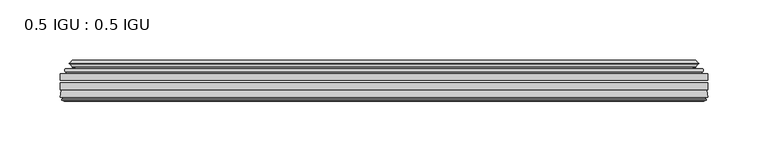
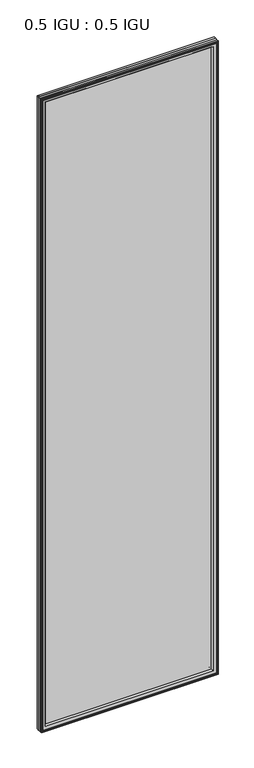
"""IFC4 building model written with IfcOpenShell, lengths in millimetres: plate geometry, 0.5 IGU : 0.5 IGU."""

from ifc_helpers import new_model, si_unit, frame, origin, place, context, project, spatial, polyline, ellipse_curve, outline, extrude, source, transform, mapped, element, save
from ifc_brep_helpers import plane_surface, cylinder_surface, revolved_surface, advanced_brep


def plate_0_5_igu_0_5_igu_a1c7e03c(model_context):
    return source(origin(), model_context, "Body", "SolidModel", [
        extrude(outline(polyline([(268.301675, -55.82285), (268.301675, -61.48705), (-268.2875, -61.48705), (-268.2875, -55.82285), (268.301675, -55.82285)])), frame((0.0, 0.0, -14.2875), z_axis=(0.0, 0.0, 1.0), x_axis=(1.0, 0.0, 0.0)), (0.0, 0.0, 1.0), 2025.6537979),
        extrude(outline(polyline([(-268.2875, -69.05625), (-268.2875, -63.39205), (268.301675, -63.39205), (268.301675, -69.05625), (-268.2875, -69.05625)])), frame((0.0, 0.0, -14.2875), z_axis=(0.0, 0.0, 1.0), x_axis=(1.0, 0.0, 0.0)), (0.0, 0.0, 1.0), 2025.6537979),
        advanced_brep(
        [(-264.1849626, -54.3724927, 2007.2599626), (-263.1404378, -51.60645, 2006.2154378), (-263.1404378, -51.60645, -9.1404378), (-264.1849626, -54.3724927, -10.1849626), (-262.548517, -55.82285, 2005.623517), (-262.548517, -55.82285, -8.548517), (-254.0, -45.63745, 1997.075), (-250.4172761, -55.82285, 1993.4922761), (-250.4172761, -55.82285, 3.5827239), (-254.0, -45.63745, 0.0), (-259.1859109, -46.8185491, 2002.2609109), (-259.1859109, -46.8185491, -5.1859109), (-258.3888893, -44.8183085, 2001.4638893), (-258.3888893, -44.8183085, -4.3888893), (-260.6726111, -47.135817, 2003.7476111), (-260.6726111, -47.135817, -6.6726111), (-260.6726111, -47.8489429, 2003.7476111), (-260.6726111, -47.8489429, -6.6726111), (-258.3888893, -50.1664515, 2001.4638893), (-258.3888893, -50.1664515, -4.3888893), (-259.1782501, -48.1854367, 2002.2532501), (-259.1782501, -48.1854367, -5.1782501), (-256.6544379, -48.027045, 1999.7294379), (-256.6544379, -48.027045, -2.6544379), (-255.6286217, -48.7147544, 1998.7036217), (-255.6286217, -48.7147544, -1.6286217), (-255.7470288, -50.1092231, 1998.8220288), (-255.7470288, -50.1092231, -1.7470288), (-256.3487748, -51.60645, 1999.4237748), (-256.3487748, -51.60645, -2.3487748), (263.1404378, -51.60645, -9.1404378), (264.1849626, -54.3724927, -10.1849626), (262.548517, -55.82285, -8.548517), (250.4172761, -55.82285, 3.5827239), (254.0, -45.63745, 0.0), (259.1859109, -46.8185491, -5.1859109), (258.3888893, -44.8183085, -4.3888893), (260.6726111, -47.135817, -6.6726111), (260.6726111, -47.8489429, -6.6726111), (258.3888893, -50.1664515, -4.3888893), (259.1782501, -48.1854367, -5.1782501), (256.6544379, -48.027045, -2.6544379), (255.6286217, -48.7147544, -1.6286217), (255.7470288, -50.1092231, -1.7470288), (256.3487748, -51.60645, -2.3487748), (263.1404378, -51.60645, 2006.2154378), (264.1849626, -54.3724927, 2007.2599626), (262.548517, -55.82285, 2005.623517), (250.4172761, -55.82285, 1993.4922761), (254.0, -45.63745, 1997.075), (259.1859109, -46.8185491, 2002.2609109), (258.3888893, -44.8183085, 2001.4638893), (260.6726111, -47.135817, 2003.7476111), (260.6726111, -47.8489429, 2003.7476111), (258.3888893, -50.1664515, 2001.4638893), (259.1782501, -48.1854367, 2002.2532501), (256.6544379, -48.027045, 1999.7294379), (255.6286217, -48.7147544, 1998.7036217), (255.7470288, -50.1092231, 1998.8220288), (256.3487748, -51.60645, 1999.4237748)],
        [
            (0, 1, ellipse_curve(frame((-263.1320703, -53.1898501, 2006.2070703), z_axis=(-0.7071067811865475, 0.0, -0.7071067811865475), x_axis=(-0.7071067811865474, 0.0, 0.7071067811865476)), 2.2392971, 1.5834222)),
            (1, 2),
            (2, 3, ellipse_curve(frame((-263.1320703, -53.1898501, -9.1320703), z_axis=(-0.7071067811865475, 0.0, 0.7071067811865475), x_axis=(0.7071067811865474, 0.0, 0.7071067811865476)), 2.2392971, 1.5834222)),
            (3, 0),
            (4, 0),
            (3, 5),
            (5, 4),
            (6, 7, ellipse_curve(frame((-221.720246, -40.0058297, 1964.795246), z_axis=(0.7071067811865475, 0.0, 0.7071067811865475), x_axis=(0.7071067811865474, 0.0, -0.7071067811865476)), 46.3399971, 32.7673262)),
            (7, 8),
            (8, 9, ellipse_curve(frame((-221.720246, -40.0058297, 32.279754), z_axis=(0.7071067811865475, 0.0, -0.7071067811865475), x_axis=(-0.7071067811865474, 0.0, -0.7071067811865476)), 46.3399971, 32.7673262)),
            (9, 6),
            (10, 6),
            (9, 11),
            (11, 10),
            (12, 10),
            (11, 13),
            (13, 12),
            (14, 12),
            (13, 15),
            (15, 14),
            (16, 14, ellipse_curve(frame((-260.3107729, -47.49238, 2003.3857729), z_axis=(-0.7071067811865475, 0.0, -0.7071067811865475), x_axis=(-0.7071067811865474, 0.0, 0.7071067811865476)), 0.7184205, 0.508)),
            (15, 17, ellipse_curve(frame((-260.3107729, -47.49238, -6.3107729), z_axis=(-0.7071067811865475, 0.0, 0.7071067811865475), x_axis=(0.7071067811865474, 0.0, 0.7071067811865476)), 0.7184205, 0.508)),
            (17, 16),
            (18, 16),
            (17, 19),
            (19, 18),
            (20, 18),
            (19, 21),
            (21, 20),
            (22, 20),
            (21, 23),
            (23, 22),
            (24, 22, ellipse_curve(frame((-256.5908, -49.04105, 1999.6658), z_axis=(0.7071067811865475, 0.0, 0.7071067811865475), x_axis=(0.7071067811865474, 0.0, -0.7071067811865476)), 1.436841, 1.016)),
            (23, 25, ellipse_curve(frame((-256.5908, -49.04105, -2.5908), z_axis=(0.7071067811865475, 0.0, -0.7071067811865475), x_axis=(-0.7071067811865474, 0.0, -0.7071067811865476)), 1.436841, 1.016)),
            (25, 24),
            (26, 24, ellipse_curve(frame((-257.9624, -49.21885, 2001.0374), z_axis=(0.7071067811865475, 0.0, 0.7071067811865475), x_axis=(0.7071067811865474, 0.0, -0.7071067811865476)), 3.3765763, 2.3876)),
            (25, 27, ellipse_curve(frame((-257.9624, -49.21885, -3.9624), z_axis=(0.7071067811865475, 0.0, -0.7071067811865475), x_axis=(-0.7071067811865474, 0.0, -0.7071067811865476)), 3.3765763, 2.3876)),
            (27, 26),
            (28, 26),
            (27, 29),
            (29, 28),
            (2, 30),
            (30, 31, ellipse_curve(frame((263.1320703, -53.1898501, -9.1320703), z_axis=(-0.7071067811865475, 0.0, -0.7071067811865475), x_axis=(-0.7071067811865476, 0.0, 0.7071067811865474)), 2.2392971, 1.5834222)),
            (31, 3),
            (31, 32),
            (32, 5),
            (8, 33),
            (33, 34, ellipse_curve(frame((221.720246, -40.0058297, 32.279754), z_axis=(0.7071067811865475, 0.0, 0.7071067811865475), x_axis=(0.7071067811865476, 0.0, -0.7071067811865474)), 46.3399971, 32.7673262)),
            (34, 9),
            (34, 35),
            (35, 11),
            (35, 36),
            (36, 13),
            (36, 37),
            (37, 15),
            (37, 38, ellipse_curve(frame((260.3107729, -47.49238, -6.3107729), z_axis=(-0.7071067811865475, 0.0, -0.7071067811865475), x_axis=(-0.7071067811865476, 0.0, 0.7071067811865474)), 0.7184205, 0.508)),
            (38, 17),
            (38, 39),
            (39, 19),
            (39, 40),
            (40, 21),
            (40, 41),
            (41, 23),
            (41, 42, ellipse_curve(frame((256.5908, -49.04105, -2.5908), z_axis=(0.7071067811865475, 0.0, 0.7071067811865475), x_axis=(0.7071067811865476, 0.0, -0.7071067811865474)), 1.436841, 1.016)),
            (42, 25),
            (42, 43, ellipse_curve(frame((257.9624, -49.21885, -3.9624), z_axis=(0.7071067811865475, 0.0, 0.7071067811865475), x_axis=(0.7071067811865476, 0.0, -0.7071067811865474)), 3.3765763, 2.3876)),
            (43, 27),
            (43, 44),
            (44, 29),
            (30, 45),
            (45, 46, ellipse_curve(frame((263.1320703, -53.1898501, 2006.2070703), z_axis=(0.7071067811865475, 0.0, -0.7071067811865475), x_axis=(-0.7071067811865474, 0.0, -0.7071067811865476)), 2.2392971, 1.5834222)),
            (46, 31),
            (46, 47),
            (47, 32),
            (33, 48),
            (48, 49, ellipse_curve(frame((221.720246, -40.0058297, 1964.795246), z_axis=(-0.7071067811865475, 0.0, 0.7071067811865475), x_axis=(0.7071067811865474, 0.0, 0.7071067811865476)), 46.3399971, 32.7673262)),
            (49, 34),
            (49, 50),
            (50, 35),
            (50, 51),
            (51, 36),
            (51, 52),
            (52, 37),
            (52, 53, ellipse_curve(frame((260.3107729, -47.49238, 2003.3857729), z_axis=(0.7071067811865475, 0.0, -0.7071067811865475), x_axis=(-0.7071067811865474, 0.0, -0.7071067811865476)), 0.7184205, 0.508)),
            (53, 38),
            (53, 54),
            (54, 39),
            (54, 55),
            (55, 40),
            (55, 56),
            (56, 41),
            (56, 57, ellipse_curve(frame((256.5908, -49.04105, 1999.6658), z_axis=(-0.7071067811865475, 0.0, 0.7071067811865475), x_axis=(0.7071067811865474, 0.0, 0.7071067811865476)), 1.436841, 1.016)),
            (57, 42),
            (57, 58, ellipse_curve(frame((257.9624, -49.21885, 2001.0374), z_axis=(-0.7071067811865475, 0.0, 0.7071067811865475), x_axis=(0.7071067811865474, 0.0, 0.7071067811865476)), 3.3765763, 2.3876)),
            (58, 43),
            (58, 59),
            (59, 44),
            (45, 1),
            (0, 46),
            (4, 47),
            (7, 48),
            (6, 49),
            (10, 50),
            (12, 51),
            (14, 52),
            (16, 53),
            (18, 54),
            (20, 55),
            (22, 56),
            (24, 57),
            (26, 58),
            (28, 59),
        ],
        [
            cylinder_surface(frame((-263.1320703, -53.1898501, 2028.825), z_axis=(0.0, 0.0, 1.0), x_axis=(-1.0, 0.0, 0.0)), 1.5834222),
            plane_surface(frame((-264.1849626, -54.3724927, 2007.2599626), z_axis=(-0.6632745773184306, -0.7483761320907135, 0.0), x_axis=(0.0, 0.0, -1.0))),
            revolved_surface(polyline([(-254.4875722, -40.0058297, -0.48757218957507575), (-254.4875722, -40.0058297, 1997.562572189575)]), (-221.720246, -40.0058297, 2028.825), (0.0, 0.0, -1.0)),
            plane_surface(frame((-254.0, -45.63745, 1997.075), z_axis=(-0.2220649844278743, 0.975031867525902, 0.0), x_axis=(0.0, 0.0, -1.0))),
            plane_surface(frame((-259.1859109, -46.8185491, 2002.2609109), z_axis=(0.9289682685630282, -0.370159365683228, 0.0), x_axis=(0.0, 0.0, -1.0))),
            plane_surface(frame((-258.3888893, -44.8183085, 2001.4638893), z_axis=(-0.7122798501733507, 0.7018955869907071, 0.0), x_axis=(0.0, 0.0, -1.0))),
            cylinder_surface(frame((-260.3107729, -47.49238, 2028.825), z_axis=(0.0, 0.0, 1.0), x_axis=(-1.0, 0.0, 0.0)), 0.508),
            plane_surface(frame((-260.6726111, -47.8489429, 2003.7476111), z_axis=(-0.7122798501732925, -0.701895586990766, 0.0), x_axis=(0.0, 0.0, -1.0))),
            plane_surface(frame((-258.3888893, -50.1664515, 2001.4638893), z_axis=(0.9289682685628707, 0.3701593656836228, 0.0), x_axis=(0.0, 0.0, -1.0))),
            plane_surface(frame((-259.1782501, -48.1854367, 2002.2532501), z_axis=(0.0626357011928498, -0.9980364567169279, 0.0), x_axis=(0.0, 0.0, -1.0))),
            revolved_surface(polyline([(-257.6068, -49.04105, -3.6068000145867245), (-257.6068, -49.04105, 2000.6818000145868)]), (-256.5908, -49.04105, 2028.825), (0.0, 0.0, -1.0)),
            revolved_surface(polyline([(-260.35, -49.21885, -6.3499999989237494), (-260.35, -49.21885, 2003.4249999989238)]), (-257.9624, -49.21885, 2028.825), (0.0, 0.0, -1.0)),
            plane_surface(frame((-255.7470288, -50.1092231, 1998.8220288), z_axis=(-0.9278652925428184, 0.3729155385532094, 0.0), x_axis=(0.0, 0.0, -1.0))),
            cylinder_surface(frame((-285.75, -53.1898501, -9.1320703), z_axis=(-1.0, 0.0, 0.0), x_axis=(0.0, 0.0, -1.0)), 1.5834222),
            plane_surface(frame((-264.1849626, -54.3724927, -10.1849626), z_axis=(0.0, -0.7483761320907157, -0.6632745773184283), x_axis=(1.0, 0.0, 0.0))),
            revolved_surface(polyline([(254.48757218957496, -40.0058297, -0.48757220000000245), (-254.48757218957493, -40.0058297, -0.48757220000000245)]), (-285.75, -40.0058297, 32.279754), (1.0, 0.0, 0.0)),
            plane_surface(frame((-254.0, -45.63745, 0.0), z_axis=(0.0, 0.9750318675259013, -0.22206498442787745), x_axis=(1.0, 0.0, 0.0))),
            plane_surface(frame((-259.1859109, -46.8185491, -5.1859109), z_axis=(0.0, -0.370159365683225, 0.9289682685630294), x_axis=(1.0, 0.0, 0.0))),
            plane_surface(frame((-258.3888893, -44.8183085, -4.3888893), z_axis=(0.0, 0.7018955869907048, -0.7122798501733529), x_axis=(1.0, 0.0, 0.0))),
            cylinder_surface(frame((-285.75, -47.49238, -6.3107729), z_axis=(-1.0, 0.0, 0.0), x_axis=(0.0, 0.0, -1.0)), 0.508),
            plane_surface(frame((-260.6726111, -47.8489429, -6.6726111), z_axis=(0.0, -0.7018955869907684, -0.7122798501732903), x_axis=(1.0, 0.0, 0.0))),
            plane_surface(frame((-258.3888893, -50.1664515, -4.3888893), z_axis=(0.0, 0.37015936568362584, 0.9289682685628696), x_axis=(1.0, 0.0, 0.0))),
            plane_surface(frame((-259.1782501, -48.1854367, -5.1782501), z_axis=(0.0, -0.9980364567169276, 0.06263570119285301), x_axis=(1.0, 0.0, 0.0))),
            revolved_surface(polyline([(257.60680001458684, -49.04105, -3.6068000000000002), (-257.60680001458684, -49.04105, -3.6068000000000002)]), (-285.75, -49.04105, -2.5908), (1.0, 0.0, 0.0)),
            revolved_surface(polyline([(260.34999999892375, -49.21885, -6.35), (-260.3499999989238, -49.21885, -6.35)]), (-285.75, -49.21885, -3.9624), (1.0, 0.0, 0.0)),
            plane_surface(frame((-255.7470288, -50.1092231, -1.7470288), z_axis=(0.0, 0.3729155385532064, -0.9278652925428196), x_axis=(1.0, 0.0, 0.0))),
            cylinder_surface(frame((263.1320703, -53.1898501, -31.75), z_axis=(0.0, 0.0, -1.0), x_axis=(1.0, 0.0, 0.0)), 1.5834222),
            plane_surface(frame((264.1849626, -54.3724927, -10.1849626), z_axis=(0.6632745773184259, -0.7483761320907178, 0.0), x_axis=(0.0, 0.0, 1.0))),
            revolved_surface(polyline([(254.4875722, -40.0058297, 1997.562572189575), (254.4875722, -40.0058297, -0.48757218957494075)]), (221.720246, -40.0058297, -31.75), (0.0, 0.0, 1.0)),
            plane_surface(frame((254.0, -45.63745, 0.0), z_axis=(0.22206498442788056, 0.9750318675259005, 0.0), x_axis=(0.0, 0.0, 1.0))),
            plane_surface(frame((259.1859109, -46.8185491, -5.1859109), z_axis=(-0.9289682685630306, -0.370159365683222, 0.0), x_axis=(0.0, 0.0, 1.0))),
            plane_surface(frame((258.3888893, -44.8183085, -4.3888893), z_axis=(0.7122798501733552, 0.7018955869907024, 0.0), x_axis=(0.0, 0.0, 1.0))),
            cylinder_surface(frame((260.3107729, -47.49238, -31.75), z_axis=(0.0, 0.0, -1.0), x_axis=(1.0, 0.0, 0.0)), 0.508),
            plane_surface(frame((260.6726111, -47.8489429, -6.6726111), z_axis=(0.712279850173288, -0.7018955869907706, 0.0), x_axis=(0.0, 0.0, 1.0))),
            plane_surface(frame((258.3888893, -50.1664515, -4.3888893), z_axis=(-0.9289682685628684, 0.37015936568362884, 0.0), x_axis=(0.0, 0.0, 1.0))),
            plane_surface(frame((259.1782501, -48.1854367, -5.1782501), z_axis=(-0.06263570119285623, -0.9980364567169274, 0.0), x_axis=(0.0, 0.0, 1.0))),
            revolved_surface(polyline([(257.6068, -49.04105, 2000.6818000145868), (257.6068, -49.04105, -3.606800014586863)]), (256.5908, -49.04105, -31.75), (0.0, 0.0, 1.0)),
            revolved_surface(polyline([(260.35, -49.21885, 2003.4249999989238), (260.35, -49.21885, -6.349999998923781)]), (257.9624, -49.21885, -31.75), (0.0, 0.0, 1.0)),
            plane_surface(frame((255.7470288, -50.1092231, -1.7470288), z_axis=(0.9278652925428208, 0.3729155385532034, 0.0), x_axis=(0.0, 0.0, 1.0))),
            cylinder_surface(frame((285.75, -53.1898501, 2006.2070703), z_axis=(1.0, 0.0, 0.0), x_axis=(0.0, 0.0, 1.0)), 1.5834222),
            plane_surface(frame((264.1849626, -54.3724927, 2007.2599626), z_axis=(0.0, -0.7483761320907157, 0.6632745773184283), x_axis=(-1.0, 0.0, 0.0))),
            plane_surface(frame((262.548517, -55.82285, 2005.623517), z_axis=(0.0, -1.0, 0.0), x_axis=(-1.0, 0.0, 0.0))),
            revolved_surface(polyline([(-254.48757218957496, -40.0058297, 1997.5625722), (254.48757218957493, -40.0058297, 1997.5625722)]), (285.75, -40.0058297, 1964.795246), (-1.0, 0.0, 0.0)),
            plane_surface(frame((254.0, -45.63745, 1997.075), z_axis=(0.0, 0.9750318675259012, 0.22206498442787742), x_axis=(-1.0, 0.0, 0.0))),
            plane_surface(frame((259.1859109, -46.8185491, 2002.2609109), z_axis=(0.0, -0.370159365683225, -0.9289682685630294), x_axis=(-1.0, 0.0, 0.0))),
            plane_surface(frame((258.3888893, -44.8183085, 2001.4638893), z_axis=(0.0, 0.7018955869907048, 0.7122798501733529), x_axis=(-1.0, 0.0, 0.0))),
            cylinder_surface(frame((285.75, -47.49238, 2003.3857729), z_axis=(1.0, 0.0, 0.0), x_axis=(0.0, 0.0, 1.0)), 0.508),
            plane_surface(frame((260.6726111, -47.8489429, 2003.7476111), z_axis=(0.0, -0.7018955869907684, 0.7122798501732903), x_axis=(-1.0, 0.0, 0.0))),
            plane_surface(frame((258.3888893, -50.1664515, 2001.4638893), z_axis=(0.0, 0.37015936568362584, -0.9289682685628696), x_axis=(-1.0, 0.0, 0.0))),
            plane_surface(frame((259.1782501, -48.1854367, 2002.2532501), z_axis=(0.0, -0.9980364567169276, -0.06263570119285301), x_axis=(-1.0, 0.0, 0.0))),
            revolved_surface(polyline([(-257.60680001458684, -49.04105, 2000.6818), (257.60680001458684, -49.04105, 2000.6818)]), (285.75, -49.04105, 1999.6658), (-1.0, 0.0, 0.0)),
            revolved_surface(polyline([(-260.34999999892375, -49.21885, 2003.425), (260.3499999989238, -49.21885, 2003.425)]), (285.75, -49.21885, 2001.0374), (-1.0, 0.0, 0.0)),
            plane_surface(frame((255.7470288, -50.1092231, 1998.8220288), z_axis=(0.0, 0.3729155385532064, 0.9278652925428196), x_axis=(-1.0, 0.0, 0.0))),
            plane_surface(frame((256.3487748, -51.60645, 1999.4237748), z_axis=(0.0, 1.0, 0.0), x_axis=(-1.0, 0.0, 0.0))),
        ],
        [
            (0, [[1, 2, 3, 4]]),
            (1, [[5, -4, 6, 7]]),
            (2, [[8, 9, 10, 11]]),
            (3, [[12, -11, 13, 14]]),
            (4, [[15, -14, 16, 17]]),
            (5, [[18, -17, 19, 20]]),
            (6, [[21, -20, 22, 23]]),
            (7, [[24, -23, 25, 26]]),
            (8, [[27, -26, 28, 29]]),
            (9, [[30, -29, 31, 32]]),
            (10, [[33, -32, 34, 35]]),
            (11, [[36, -35, 37, 38]]),
            (12, [[39, -38, 40, 41]]),
            (13, [[-3, 42, 43, 44]]),
            (14, [[-6, -44, 45, 46]]),
            (15, [[-10, 47, 48, 49]]),
            (16, [[-13, -49, 50, 51]]),
            (17, [[-16, -51, 52, 53]]),
            (18, [[-19, -53, 54, 55]]),
            (19, [[-22, -55, 56, 57]]),
            (20, [[-25, -57, 58, 59]]),
            (21, [[-28, -59, 60, 61]]),
            (22, [[-31, -61, 62, 63]]),
            (23, [[-34, -63, 64, 65]]),
            (24, [[-37, -65, 66, 67]]),
            (25, [[-40, -67, 68, 69]]),
            (26, [[-43, 70, 71, 72]]),
            (27, [[-45, -72, 73, 74]]),
            (28, [[-48, 75, 76, 77]]),
            (29, [[-50, -77, 78, 79]]),
            (30, [[-52, -79, 80, 81]]),
            (31, [[-54, -81, 82, 83]]),
            (32, [[-56, -83, 84, 85]]),
            (33, [[-58, -85, 86, 87]]),
            (34, [[-60, -87, 88, 89]]),
            (35, [[-62, -89, 90, 91]]),
            (36, [[-64, -91, 92, 93]]),
            (37, [[-66, -93, 94, 95]]),
            (38, [[-68, -95, 96, 97]]),
            (39, [[-71, 98, -1, 99]]),
            (40, [[-73, -99, -5, 100]]),
            (41, [[-46, -74, -100, -7], [101, -75, -47, -9]]),
            (42, [[-76, -101, -8, 102]]),
            (43, [[-78, -102, -12, 103]]),
            (44, [[-80, -103, -15, 104]]),
            (45, [[-82, -104, -18, 105]]),
            (46, [[-84, -105, -21, 106]]),
            (47, [[-86, -106, -24, 107]]),
            (48, [[-88, -107, -27, 108]]),
            (49, [[-90, -108, -30, 109]]),
            (50, [[-92, -109, -33, 110]]),
            (51, [[-94, -110, -36, 111]]),
            (52, [[-96, -111, -39, 112]]),
            (53, [[-98, -70, -42, -2], [-69, -97, -112, -41]]),
        ],
    ),
        advanced_brep(
        [(-268.3002, -75.40625, 2011.3752), (-267.6054162, -69.7476901, 2010.6804162), (-267.6054162, -69.7476901, -13.6054162), (-268.3002, -75.40625, -14.3002), (-265.9126, -77.3973143, 2008.9876), (-266.3698, -75.40625, 2009.4448), (-266.3698, -75.40625, -12.3698), (-265.9126, -77.3973143, -11.9126), (-266.9139619, -77.1290001, 2009.9889619), (-266.9139619, -77.1290001, -12.9139619), (-267.1572, -78.0367772, 2010.2322), (-267.1572, -78.0367772, -13.1572), (-265.1252, -78.58125, 2008.2002), (-265.1252, -78.58125, -11.1252), (-263.0932, -78.0367772, 2006.1682), (-263.0932, -78.0367772, -9.0932), (-263.3364381, -77.1290001, 2006.4114381), (-263.3364381, -77.1290001, -9.3364381), (-264.3378, -77.3973143, 2007.4128), (-264.3378, -77.3973143, -10.3378), (-263.8806, -75.40625, 2006.9556), (-263.8806, -75.40625, -9.8806), (-250.4105369, -69.05625, 1993.4855369), (-254.0, -75.40625, 1997.075), (-254.0, -75.40625, 0.0), (-250.4105369, -69.05625, 3.5894631), (-266.8238854, -69.05625, 2009.8988854), (-266.8238854, -69.05625, -12.8238854), (267.6054162, -69.7476901, -13.6054162), (268.3002, -75.40625, -14.3002), (266.3698, -75.40625, -12.3698), (265.9126, -77.3973143, -11.9126), (266.9139619, -77.1290001, -12.9139619), (267.1572, -78.0367772, -13.1572), (265.1252, -78.58125, -11.1252), (263.0932, -78.0367772, -9.0932), (263.3364381, -77.1290001, -9.3364381), (264.3378, -77.3973143, -10.3378), (263.8806, -75.40625, -9.8806), (254.0, -75.40625, 0.0), (250.4105369, -69.05625, 3.5894631), (266.8238854, -69.05625, -12.8238854), (267.6054162, -69.7476901, 2010.6804162), (268.3002, -75.40625, 2011.3752), (266.3698, -75.40625, 2009.4448), (265.9126, -77.3973143, 2008.9876), (266.9139619, -77.1290001, 2009.9889619), (267.1572, -78.0367772, 2010.2322), (265.1252, -78.58125, 2008.2002), (263.0932, -78.0367772, 2006.1682), (263.3364381, -77.1290001, 2006.4114381), (264.3378, -77.3973143, 2007.4128), (263.8806, -75.40625, 2006.9556), (254.0, -75.40625, 1997.075), (250.4105369, -69.05625, 1993.4855369), (266.8238854, -69.05625, 2009.8988854)],
        [
            (0, 1),
            (1, 2),
            (2, 3),
            (3, 0),
            (4, 5),
            (5, 6),
            (6, 7),
            (7, 4),
            (8, 4),
            (7, 9),
            (9, 8),
            (10, 8),
            (9, 11),
            (11, 10),
            (12, 10),
            (11, 13),
            (13, 12),
            (14, 12),
            (13, 15),
            (15, 14),
            (16, 14),
            (15, 17),
            (17, 16),
            (18, 16),
            (17, 19),
            (19, 18),
            (20, 18),
            (19, 21),
            (21, 20),
            (22, 23, ellipse_curve(frame((-245.5237114, -76.0081323, 1988.5987114), z_axis=(0.7071067811865475, 0.0, 0.7071067811865475), x_axis=(0.7071067811865474, 0.0, -0.7071067811865476)), 12.0174649, 8.4976309)),
            (23, 24),
            (24, 25, ellipse_curve(frame((-245.5237114, -76.0081323, 8.4762886), z_axis=(0.7071067811865475, 0.0, -0.7071067811865475), x_axis=(-0.7071067811865474, 0.0, -0.7071067811865476)), 12.0174649, 8.4976309)),
            (25, 22),
            (1, 26, ellipse_curve(frame((-266.8238854, -69.84365, 2009.8988854), z_axis=(-0.7071067811865475, 0.0, -0.7071067811865475), x_axis=(-0.7071067811865474, 0.0, 0.7071067811865476)), 1.1135518, 0.7874)),
            (26, 27),
            (27, 2, ellipse_curve(frame((-266.8238854, -69.84365, -12.8238854), z_axis=(-0.7071067811865475, 0.0, 0.7071067811865475), x_axis=(0.7071067811865474, 0.0, 0.7071067811865476)), 1.1135518, 0.7874)),
            (2, 28),
            (28, 29),
            (29, 3),
            (6, 30),
            (30, 31),
            (31, 7),
            (31, 32),
            (32, 9),
            (32, 33),
            (33, 11),
            (33, 34),
            (34, 13),
            (34, 35),
            (35, 15),
            (35, 36),
            (36, 17),
            (36, 37),
            (37, 19),
            (37, 38),
            (38, 21),
            (24, 39),
            (39, 40, ellipse_curve(frame((245.5237114, -76.0081323, 8.4762886), z_axis=(0.7071067811865475, 0.0, 0.7071067811865475), x_axis=(0.7071067811865476, 0.0, -0.7071067811865474)), 12.0174649, 8.4976309)),
            (40, 25),
            (27, 41),
            (41, 28, ellipse_curve(frame((266.8238854, -69.84365, -12.8238854), z_axis=(-0.7071067811865475, 0.0, -0.7071067811865475), x_axis=(-0.7071067811865476, 0.0, 0.7071067811865474)), 1.1135518, 0.7874)),
            (28, 42),
            (42, 43),
            (43, 29),
            (30, 44),
            (44, 45),
            (45, 31),
            (45, 46),
            (46, 32),
            (46, 47),
            (47, 33),
            (47, 48),
            (48, 34),
            (48, 49),
            (49, 35),
            (49, 50),
            (50, 36),
            (50, 51),
            (51, 37),
            (51, 52),
            (52, 38),
            (39, 53),
            (53, 54, ellipse_curve(frame((245.5237114, -76.0081323, 1988.5987114), z_axis=(-0.7071067811865475, 0.0, 0.7071067811865475), x_axis=(0.7071067811865474, 0.0, 0.7071067811865476)), 12.0174649, 8.4976309)),
            (54, 40),
            (41, 55),
            (55, 42, ellipse_curve(frame((266.8238854, -69.84365, 2009.8988854), z_axis=(0.7071067811865475, 0.0, -0.7071067811865475), x_axis=(-0.7071067811865474, 0.0, -0.7071067811865476)), 1.1135518, 0.7874)),
            (42, 1),
            (0, 43),
            (5, 44),
            (4, 45),
            (8, 46),
            (10, 47),
            (12, 48),
            (14, 49),
            (16, 50),
            (18, 51),
            (20, 52),
            (23, 53),
            (22, 54),
            (26, 55),
        ],
        [
            plane_surface(frame((-267.6054162, -69.7476901, 2010.6804162), z_axis=(-0.992546151641325, 0.12186934340512405, 0.0), x_axis=(0.0, 0.0, -1.0))),
            plane_surface(frame((-266.3698, -75.40625, 2009.4448), z_axis=(-0.9746347637895902, -0.22380142361658398, 0.0), x_axis=(0.0, 0.0, -1.0))),
            plane_surface(frame((-265.9126, -77.3973143, 2008.9876), z_axis=(0.2588190451026526, 0.965925826289033, 0.0), x_axis=(0.0, 0.0, -1.0))),
            plane_surface(frame((-266.9139619, -77.1290001, 2009.9889619), z_axis=(-0.9659258262890449, 0.2588190451026083, 0.0), x_axis=(0.0, 0.0, -1.0))),
            plane_surface(frame((-267.1572, -78.0367772, 2010.2322), z_axis=(-0.2588190451024403, -0.96592582628909, 0.0), x_axis=(0.0, 0.0, -1.0))),
            plane_surface(frame((-265.1252, -78.58125, 2008.2002), z_axis=(0.2588190451025434, -0.9659258262890623, 0.0), x_axis=(0.0, 0.0, -1.0))),
            plane_surface(frame((-263.0932, -78.0367772, 2006.1682), z_axis=(0.9659258262891713, 0.25881904510213655, 0.0), x_axis=(0.0, 0.0, -1.0))),
            plane_surface(frame((-263.3364381, -77.1290001, 2006.4114381), z_axis=(-0.25881904510234177, 0.9659258262891163, 0.0), x_axis=(0.0, 0.0, -1.0))),
            plane_surface(frame((-264.3378, -77.3973143, 2007.4128), z_axis=(0.9746347637895849, -0.22380142361660743, 0.0), x_axis=(0.0, 0.0, -1.0))),
            revolved_surface(polyline([(-254.0213423, -76.0081323, -0.021342323461112755), (-254.0213423, -76.0081323, 1997.0963423234612)]), (-245.5237114, -76.0081323, 2028.825), (0.0, 0.0, -1.0)),
            cylinder_surface(frame((-266.8238854, -69.84365, 2028.825), z_axis=(0.0, 0.0, 1.0), x_axis=(-1.0, 0.0, 0.0)), 0.7874),
            plane_surface(frame((-267.6054162, -69.7476901, -13.6054162), z_axis=(0.0, 0.12186934340512084, -0.9925461516413254), x_axis=(1.0, 0.0, 0.0))),
            plane_surface(frame((-266.3698, -75.40625, -12.3698), z_axis=(0.0, -0.22380142361658714, -0.9746347637895896), x_axis=(1.0, 0.0, 0.0))),
            plane_surface(frame((-265.9126, -77.3973143, -11.9126), z_axis=(0.0, 0.9659258262890339, 0.25881904510264947), x_axis=(1.0, 0.0, 0.0))),
            plane_surface(frame((-266.9139619, -77.1290001, -12.9139619), z_axis=(0.0, 0.25881904510260517, -0.9659258262890458), x_axis=(1.0, 0.0, 0.0))),
            plane_surface(frame((-267.1572, -78.0367772, -13.1572), z_axis=(0.0, -0.9659258262890907, -0.25881904510243714), x_axis=(1.0, 0.0, 0.0))),
            plane_surface(frame((-265.1252, -78.58125, -11.1252), z_axis=(0.0, -0.9659258262890614, 0.2588190451025465), x_axis=(1.0, 0.0, 0.0))),
            plane_surface(frame((-263.0932, -78.0367772, -9.0932), z_axis=(0.0, 0.25881904510213966, 0.9659258262891705), x_axis=(1.0, 0.0, 0.0))),
            plane_surface(frame((-263.3364381, -77.1290001, -9.3364381), z_axis=(0.0, 0.9659258262891154, -0.2588190451023449), x_axis=(1.0, 0.0, 0.0))),
            plane_surface(frame((-264.3378, -77.3973143, -10.3378), z_axis=(0.0, -0.2238014236166043, 0.9746347637895857), x_axis=(1.0, 0.0, 0.0))),
            revolved_surface(polyline([(254.02134232346134, -76.0081323, -0.02134230000000059), (-254.0213423234613, -76.0081323, -0.02134230000000059)]), (-285.75, -76.0081323, 8.4762886), (1.0, 0.0, 0.0)),
            cylinder_surface(frame((-285.75, -69.84365, -12.8238854), z_axis=(-1.0, 0.0, 0.0), x_axis=(0.0, 0.0, -1.0)), 0.7874),
            plane_surface(frame((267.6054162, -69.7476901, -13.6054162), z_axis=(0.9925461516413259, 0.12186934340511764, 0.0), x_axis=(0.0, 0.0, 1.0))),
            plane_surface(frame((266.3698, -75.40625, -12.3698), z_axis=(0.9746347637895888, -0.22380142361659028, 0.0), x_axis=(0.0, 0.0, 1.0))),
            plane_surface(frame((265.9126, -77.3973143, -11.9126), z_axis=(-0.25881904510264636, 0.9659258262890348, 0.0), x_axis=(0.0, 0.0, 1.0))),
            plane_surface(frame((266.9139619, -77.1290001, -12.9139619), z_axis=(0.9659258262890467, 0.25881904510260206, 0.0), x_axis=(0.0, 0.0, 1.0))),
            plane_surface(frame((267.1572, -78.0367772, -13.1572), z_axis=(0.25881904510243403, -0.9659258262890916, 0.0), x_axis=(0.0, 0.0, 1.0))),
            plane_surface(frame((265.1252, -78.58125, -11.1252), z_axis=(-0.25881904510254966, -0.9659258262890607, 0.0), x_axis=(0.0, 0.0, 1.0))),
            plane_surface(frame((263.0932, -78.0367772, -9.0932), z_axis=(-0.9659258262891696, 0.25881904510214276, 0.0), x_axis=(0.0, 0.0, 1.0))),
            plane_surface(frame((263.3364381, -77.1290001, -9.3364381), z_axis=(0.25881904510234804, 0.9659258262891146, 0.0), x_axis=(0.0, 0.0, 1.0))),
            plane_surface(frame((264.3378, -77.3973143, -10.3378), z_axis=(-0.9746347637895864, -0.22380142361660113, 0.0), x_axis=(0.0, 0.0, 1.0))),
            revolved_surface(polyline([(254.0213423, -76.0081323, 1997.0963423234612), (254.0213423, -76.0081323, -0.021342323461311707)]), (245.5237114, -76.0081323, -31.75), (0.0, 0.0, 1.0)),
            cylinder_surface(frame((266.8238854, -69.84365, -31.75), z_axis=(0.0, 0.0, -1.0), x_axis=(1.0, 0.0, 0.0)), 0.7874),
            plane_surface(frame((267.6054162, -69.7476901, 2010.6804162), z_axis=(0.0, 0.12186934340512084, 0.9925461516413254), x_axis=(-1.0, 0.0, 0.0))),
            plane_surface(frame((268.3002, -75.40625, 2011.3752), z_axis=(0.0, -1.0, 0.0), x_axis=(-1.0, 0.0, 0.0))),
            plane_surface(frame((266.3698, -75.40625, 2009.4448), z_axis=(0.0, -0.22380142361658714, 0.9746347637895896), x_axis=(-1.0, 0.0, 0.0))),
            plane_surface(frame((265.9126, -77.3973143, 2008.9876), z_axis=(0.0, 0.9659258262890339, -0.25881904510264947), x_axis=(-1.0, 0.0, 0.0))),
            plane_surface(frame((266.9139619, -77.1290001, 2009.9889619), z_axis=(0.0, 0.25881904510260517, 0.9659258262890458), x_axis=(-1.0, 0.0, 0.0))),
            plane_surface(frame((267.1572, -78.0367772, 2010.2322), z_axis=(0.0, -0.9659258262890907, 0.25881904510243714), x_axis=(-1.0, 0.0, 0.0))),
            plane_surface(frame((265.1252, -78.58125, 2008.2002), z_axis=(0.0, -0.9659258262890614, -0.25881904510254655), x_axis=(-1.0, 0.0, 0.0))),
            plane_surface(frame((263.0932, -78.0367772, 2006.1682), z_axis=(0.0, 0.25881904510213966, -0.9659258262891705), x_axis=(-1.0, 0.0, 0.0))),
            plane_surface(frame((263.3364381, -77.1290001, 2006.4114381), z_axis=(0.0, 0.9659258262891155, 0.25881904510234494), x_axis=(-1.0, 0.0, 0.0))),
            plane_surface(frame((264.3378, -77.3973143, 2007.4128), z_axis=(0.0, -0.22380142361660427, -0.9746347637895856), x_axis=(-1.0, 0.0, 0.0))),
            plane_surface(frame((263.8806, -75.40625, 2006.9556), z_axis=(0.0, -1.0, 0.0), x_axis=(-1.0, 0.0, 0.0))),
            revolved_surface(polyline([(-254.02134232346134, -76.0081323, 1997.0963423), (254.0213423234613, -76.0081323, 1997.0963423)]), (285.75, -76.0081323, 1988.5987114), (-1.0, 0.0, 0.0)),
            plane_surface(frame((250.4105369, -69.05625, 1993.4855369), z_axis=(0.0, 1.0, 0.0), x_axis=(-1.0, 0.0, 0.0))),
            cylinder_surface(frame((285.75, -69.84365, 2009.8988854), z_axis=(1.0, 0.0, 0.0), x_axis=(0.0, 0.0, 1.0)), 0.7874),
        ],
        [
            (0, [[1, 2, 3, 4]]),
            (1, [[5, 6, 7, 8]]),
            (2, [[9, -8, 10, 11]]),
            (3, [[12, -11, 13, 14]]),
            (4, [[15, -14, 16, 17]]),
            (5, [[18, -17, 19, 20]]),
            (6, [[21, -20, 22, 23]]),
            (7, [[24, -23, 25, 26]]),
            (8, [[27, -26, 28, 29]]),
            (9, [[30, 31, 32, 33]]),
            (10, [[34, 35, 36, -2]]),
            (11, [[-3, 37, 38, 39]]),
            (12, [[-7, 40, 41, 42]]),
            (13, [[-10, -42, 43, 44]]),
            (14, [[-13, -44, 45, 46]]),
            (15, [[-16, -46, 47, 48]]),
            (16, [[-19, -48, 49, 50]]),
            (17, [[-22, -50, 51, 52]]),
            (18, [[-25, -52, 53, 54]]),
            (19, [[-28, -54, 55, 56]]),
            (20, [[-32, 57, 58, 59]]),
            (21, [[-36, 60, 61, -37]]),
            (22, [[-38, 62, 63, 64]]),
            (23, [[-41, 65, 66, 67]]),
            (24, [[-43, -67, 68, 69]]),
            (25, [[-45, -69, 70, 71]]),
            (26, [[-47, -71, 72, 73]]),
            (27, [[-49, -73, 74, 75]]),
            (28, [[-51, -75, 76, 77]]),
            (29, [[-53, -77, 78, 79]]),
            (30, [[-55, -79, 80, 81]]),
            (31, [[-58, 82, 83, 84]]),
            (32, [[-61, 85, 86, -62]]),
            (33, [[-63, 87, -1, 88]]),
            (34, [[-39, -64, -88, -4], [89, -65, -40, -6]]),
            (35, [[-66, -89, -5, 90]]),
            (36, [[-68, -90, -9, 91]]),
            (37, [[-70, -91, -12, 92]]),
            (38, [[-72, -92, -15, 93]]),
            (39, [[-74, -93, -18, 94]]),
            (40, [[-76, -94, -21, 95]]),
            (41, [[-78, -95, -24, 96]]),
            (42, [[-80, -96, -27, 97]]),
            (43, [[-56, -81, -97, -29], [98, -82, -57, -31]]),
            (44, [[-83, -98, -30, 99]]),
            (45, [[100, -85, -60, -35], [-59, -84, -99, -33]]),
            (46, [[-86, -100, -34, -87]]),
        ],
    ),
    ])


if __name__ == "__main__":
    model = new_model("IFC4")
    model_context = context("Model", 3, world=origin())
    ifc_project = project(units=[si_unit("LENGTHUNIT", "METRE", prefix="MILLI")], contexts=[model_context])
    site = spatial("IfcSite", under=ifc_project)
    building = spatial("IfcBuilding", under=site)
    placement = place(None, origin())
    plate_0_5_igu_0_5_igu_shape = plate_0_5_igu_0_5_igu_a1c7e03c(model_context)
    element("IfcPlate", 1, ObjectType="0.5 IGU : 0.5 IGU", at=placement, inside=building, context=model_context, shape_type="MappedRepresentation", body=[
        mapped(plate_0_5_igu_0_5_igu_shape, transform((0.0, 0.0, 0.0), x_axis=(1.0, 0.0, 0.0), y_axis=(0.0, 1.0, 0.0), z_axis=(0.0, 0.0, 1.0))),
    ])
    save(model, "model.ifc")
